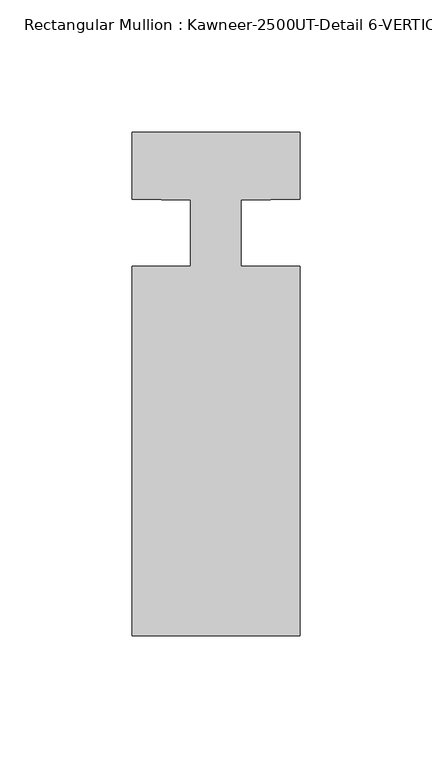
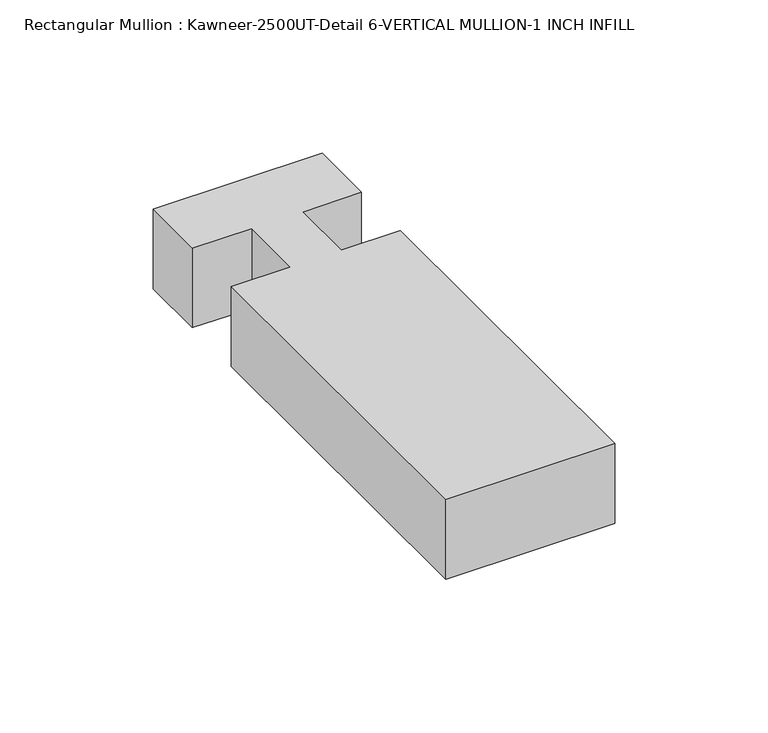
"""IFC4 building model written with IfcOpenShell, lengths in millimetres: member geometry, Rectangular Mullion : Kawneer-2500UT-Detail 6-VERTICAL MULLION-1 INCH INFILL."""

from ifc_helpers import new_model, si_unit, point, frame, frame_2d, origin, place, context, project, spatial, polyline, circle_curve, trimmed, segment, composite_curve, outline, extrude, source, transform, mapped, element, save


def rectangular_mullion_kawneer_2500ut_detail_6_vertical_mullion_9de2bcfe(model_context):
    return source(origin(), model_context, "Body", "SweptSolid", [
        extrude(outline(composite_curve([segment(polyline([(-31.75, -165.099995), (-31.75, -25.4), (-9.5251132, -25.4), (-9.5251132, -0.3176283)]), True, "CONTINUOUS"), segment(trimmed(circle_curve(frame_2d((-27.4492482, -461.0078197)), 461.0387479), [point((-9.5251132, -0.3176283))], [point((-31.75, 0.0108682))], True, "CARTESIAN"), True, "CONTINUOUS"), segment(polyline([(-31.75, 0.0108682), (-31.75, 25.4), (31.75, 25.4), (31.75, 0.0108682)]), True, "CONTINUOUS"), segment(trimmed(circle_curve(frame_2d((27.4492482, -461.0078197)), 461.0387479), [point((31.75, 0.0108682))], [point((9.5251132, -0.3176283))], True, "CARTESIAN"), True, "CONTINUOUS"), segment(polyline([(9.5251132, -0.3176283), (9.5251132, -25.4), (31.75, -25.4), (31.75, -165.099995), (-31.75, -165.099995)]), True, "CONTINUOUS")], self_intersect=False)), frame((0.0, 0.0, -31.75), z_axis=(0.0, 0.0, 1.0), x_axis=(1.0, 0.0, 0.0)), (0.0, 0.0, 1.0), 31.75),
    ])


if __name__ == "__main__":
    model = new_model("IFC4")
    model_context = context("Model", 3, world=origin())
    ifc_project = project(units=[si_unit("LENGTHUNIT", "METRE", prefix="MILLI")], contexts=[model_context])
    site = spatial("IfcSite", under=ifc_project)
    building = spatial("IfcBuilding", under=site)
    placement = place(None, origin())
    rectangular_mullion_kawneer_2500ut_detail_6_vertical_mullion_shape = rectangular_mullion_kawneer_2500ut_detail_6_vertical_mullion_9de2bcfe(model_context)
    element("IfcMember", 1, ObjectType="Rectangular Mullion : Kawneer-2500UT-Detail 6-VERTICAL MULLION-1 INCH INFILL", at=placement, inside=building, context=model_context, shape_type="MappedRepresentation", body=[
        mapped(rectangular_mullion_kawneer_2500ut_detail_6_vertical_mullion_shape, transform((0.0, 0.0, 0.0), x_axis=(1.0, 0.0, 0.0), y_axis=(0.0, 1.0, 0.0), z_axis=(0.0, 0.0, 1.0))),
    ])
    save(model, "model.ifc")
